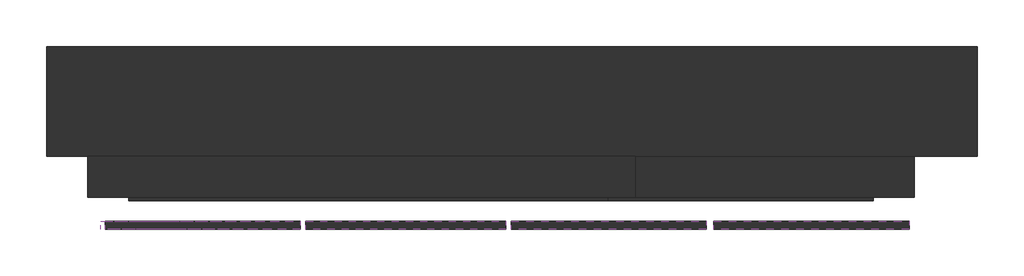
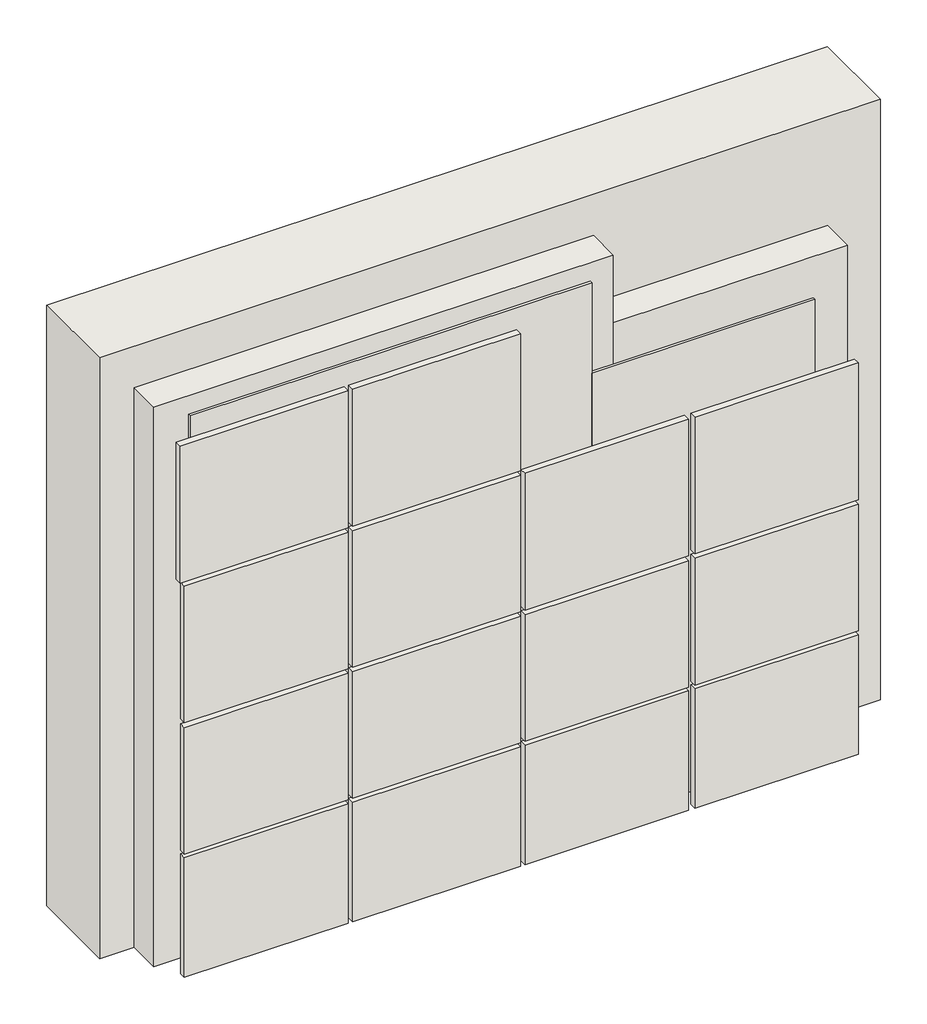
# One storey: 19 walls.
"""IFC4 building model written with IfcOpenShell, lengths in millimetres."""

from ifc_helpers import new_model, si_unit, frame, origin, origin_with_axes, place, context, project, spatial, polyline, outline, extrude, faceted_brep, element, save

model = new_model("IFC4")

# Units and contexts
model_context = context("Model", 3, world=origin())
ifc_project = project(units=[si_unit("LENGTHUNIT", "METRE", prefix="MILLI")], contexts=[model_context])

# Site, building, storey
site = spatial("IfcSite", under=ifc_project)
building = spatial("IfcBuilding", under=site)
storey = spatial("IfcBuildingStorey", under=building, Elevation=0.0)

# Walls
placement = place(None, origin())
element("IfcWall", 1, at=placement, inside=storey, context=model_context, shape_type="SweptSolid", body=[
    extrude(outline(polyline([(8351.4111422, 2345.4420164), (1551.4111422, 2345.4420164), (1551.4111422, 3145.4420164), (8351.4111422, 3145.4420164), (8351.4111422, 2345.4420164)])), origin_with_axes(), (0.0, 0.0, 1.0), 5527.4730237),
])
element("IfcWall", 2, at=placement, inside=storey, context=model_context, shape_type="Brep", body=[
    faceted_brep([(1851.4111422, 2045.4420164, 0.0), (5851.4111422, 2045.4420164, 0.0), (5851.4111422, 2045.4420164, 4528.0635713), (5851.4111422, 2045.4420164, 5149.6139138), (1851.4111422, 2045.4420164, 5149.6139138), (1851.4111422, 2345.4420164, 0.0), (1851.4111422, 2345.4420164, 5149.6139138), (5851.4111422, 2345.4420164, 5149.6139138), (5851.4111422, 2345.4420164, 4528.0635713), (5851.4111422, 2345.4420164, 0.0)], [[[0, 1, 2, 3, 4]], [[5, 6, 7, 8, 9]], [[1, 0, 5, 9]], [[3, 2, 1, 9, 8, 7]], [[4, 3, 7, 6]], [[0, 4, 6, 5]]]),
])
element("IfcWall", 3, at=placement, inside=storey, context=model_context, shape_type="SweptSolid", body=[
    extrude(outline(polyline([(7891.4111422, 2045.4420164), (5851.4111422, 2045.4420164), (5851.4111422, 2345.4420164), (7891.4111422, 2345.4420164), (7891.4111422, 2045.4420164)])), origin_with_axes(), (0.0, 0.0, 1.0), 4528.0635713),
])
element("IfcWall", 4, at=placement, inside=storey, context=model_context, shape_type="SweptSolid", body=[
    extrude(outline(polyline([(7591.4111422, 2020.4420164), (5651.4111422, 2020.4420164), (5651.4111422, 2070.4420164), (7591.4111422, 2070.4420164), (7591.4111422, 2020.4420164)])), origin_with_axes(), (0.0, 0.0, 1.0), 4148.2925814),
])
element("IfcWall", 5, at=placement, inside=storey, context=model_context, shape_type="Brep", body=[
    faceted_brep([(2151.4111422, 2020.4420164, 0.0), (5651.4111422, 2020.4420164, 0.0), (5651.4111422, 2020.4420164, 4148.2925814), (5651.4111422, 2020.4420164, 4981.7260643), (2151.4111422, 2020.4420164, 4981.7260643), (2151.4111422, 2070.4420164, 0.0), (2151.4111422, 2070.4420164, 4981.7260643), (5651.4111422, 2070.4420164, 4981.7260643), (5651.4111422, 2070.4420164, 4148.2925814), (5651.4111422, 2070.4420164, 0.0)], [[[0, 1, 2, 3, 4]], [[5, 6, 7, 8, 9]], [[1, 0, 5, 9]], [[3, 2, 1, 9, 8, 7]], [[4, 3, 7, 6]], [[0, 4, 6, 5]]]),
])
element("IfcWall", 6, at=placement, inside=storey, context=model_context, shape_type="SweptSolid", body=[
    extrude(outline(polyline([(7851.4111422, 1810.4420164), (6426.4111422, 1810.4420164), (6426.4111422, 1870.4420164), (7851.4111422, 1870.4420164), (7851.4111422, 1810.4420164)])), origin_with_axes(), (0.0, 0.0, 1.0), 1100.0),
])
element("IfcWall", 7, at=placement, inside=storey, context=model_context, shape_type="SweptSolid", body=[
    extrude(outline(polyline([(7851.4111422, 1810.4420164), (6426.4111422, 1810.4420164), (6426.4111422, 1870.4420164), (7851.4111422, 1870.4420164), (7851.4111422, 1810.4420164)])), frame((0.0, 0.0, 1134.6658134), z_axis=(0.0, 0.0, 1.0), x_axis=(1.0, 0.0, 0.0)), (0.0, 0.0, 1.0), 1165.3341866),
])
element("IfcWall", 8, at=placement, inside=storey, context=model_context, shape_type="SweptSolid", body=[
    extrude(outline(polyline([(7851.4111422, 1810.4420164), (6426.4111422, 1810.4420164), (6426.4111422, 1870.4420164), (7851.4111422, 1870.4420164), (7851.4111422, 1810.4420164)])), frame((0.0, 0.0, 2342.4554313), z_axis=(0.0, 0.0, 1.0), x_axis=(1.0, 0.0, 0.0)), (0.0, 0.0, 1.0), 1257.5445687),
])
element("IfcWall", 9, at=placement, inside=storey, context=model_context, shape_type="SweptSolid", body=[
    extrude(outline(polyline([(6371.4111422, 1810.4420164), (4946.4111422, 1810.4420164), (4946.4111422, 1870.4420164), (6371.4111422, 1870.4420164), (6371.4111422, 1810.4420164)])), origin_with_axes(), (0.0, 0.0, 1.0), 1100.0),
])
element("IfcWall", 10, at=placement, inside=storey, context=model_context, shape_type="SweptSolid", body=[
    extrude(outline(polyline([(6371.4111422, 1810.4420164), (4946.4111422, 1810.4420164), (4946.4111422, 1870.4420164), (6371.4111422, 1870.4420164), (6371.4111422, 1810.4420164)])), frame((0.0, 0.0, 1134.6658134), z_axis=(0.0, 0.0, 1.0), x_axis=(1.0, 0.0, 0.0)), (0.0, 0.0, 1.0), 1165.3341866),
])
element("IfcWall", 11, at=placement, inside=storey, context=model_context, shape_type="SweptSolid", body=[
    extrude(outline(polyline([(6371.4111422, 1810.4420164), (4946.4111422, 1810.4420164), (4946.4111422, 1870.4420164), (6371.4111422, 1870.4420164), (6371.4111422, 1810.4420164)])), frame((0.0, 0.0, 2342.4554313), z_axis=(0.0, 0.0, 1.0), x_axis=(1.0, 0.0, 0.0)), (0.0, 0.0, 1.0), 1257.5445687),
])
element("IfcWall", 12, at=placement, inside=storey, context=model_context, shape_type="SweptSolid", body=[
    extrude(outline(polyline([(4906.4111422, 1810.4420164), (3446.4111422, 1810.4420164), (3446.4111422, 1870.4420164), (4906.4111422, 1870.4420164), (4906.4111422, 1810.4420164)])), origin_with_axes(), (0.0, 0.0, 1.0), 1100.0),
])
element("IfcWall", 13, at=placement, inside=storey, context=model_context, shape_type="SweptSolid", body=[
    extrude(outline(polyline([(4906.4111422, 1810.4420164), (3446.4111422, 1810.4420164), (3446.4111422, 1870.4420164), (4906.4111422, 1870.4420164), (4906.4111422, 1810.4420164)])), frame((0.0, 0.0, 1134.6658134), z_axis=(0.0, 0.0, 1.0), x_axis=(1.0, 0.0, 0.0)), (0.0, 0.0, 1.0), 1165.3341866),
])
element("IfcWall", 14, at=placement, inside=storey, context=model_context, shape_type="SweptSolid", body=[
    extrude(outline(polyline([(4906.4111422, 1810.4420164), (3446.4111422, 1810.4420164), (3446.4111422, 1870.4420164), (4906.4111422, 1870.4420164), (4906.4111422, 1810.4420164)])), frame((0.0, 0.0, 2342.4554313), z_axis=(0.0, 0.0, 1.0), x_axis=(1.0, 0.0, 0.0)), (0.0, 0.0, 1.0), 1257.5445687),
])
element("IfcWall", 15, at=placement, inside=storey, context=model_context, shape_type="SweptSolid", body=[
    extrude(outline(polyline([(3406.4111422, 1810.4420164), (1981.4111422, 1810.4420164), (1981.4111422, 1870.4420164), (3406.4111422, 1870.4420164), (3406.4111422, 1810.4420164)])), origin_with_axes(), (0.0, 0.0, 1.0), 1100.0),
])
element("IfcWall", 16, at=placement, inside=storey, context=model_context, shape_type="SweptSolid", body=[
    extrude(outline(polyline([(3406.4111422, 1810.4420164), (1981.4111422, 1810.4420164), (1981.4111422, 1870.4420164), (3406.4111422, 1870.4420164), (3406.4111422, 1810.4420164)])), frame((0.0, 0.0, 1134.6658134), z_axis=(0.0, 0.0, 1.0), x_axis=(1.0, 0.0, 0.0)), (0.0, 0.0, 1.0), 1165.3341866),
])
element("IfcWall", 17, at=placement, inside=storey, context=model_context, shape_type="SweptSolid", body=[
    extrude(outline(polyline([(3406.4111422, 1810.4420164), (1981.4111422, 1810.4420164), (1981.4111422, 1870.4420164), (3406.4111422, 1870.4420164), (3406.4111422, 1810.4420164)])), frame((0.0, 0.0, 2342.4554313), z_axis=(0.0, 0.0, 1.0), x_axis=(1.0, 0.0, 0.0)), (0.0, 0.0, 1.0), 1257.5445687),
])
element("IfcWall", 18, at=placement, inside=storey, context=model_context, shape_type="SweptSolid", body=[
    extrude(outline(polyline([(4906.4111422, 1810.4420164), (3446.4111422, 1810.4420164), (3446.4111422, 1870.4420164), (4906.4111422, 1870.4420164), (4906.4111422, 1810.4420164)])), frame((0.0, 0.0, 3640.2461528), z_axis=(0.0, 0.0, 1.0), x_axis=(1.0, 0.0, 0.0)), (0.0, 0.0, 1.0), 1259.7538472),
])
element("IfcWall", 19, at=placement, inside=storey, context=model_context, shape_type="SweptSolid", body=[
    extrude(outline(polyline([(3406.4111422, 1810.4420164), (1946.4111422, 1810.4420164), (1946.4111422, 1870.4420164), (3406.4111422, 1870.4420164), (3406.4111422, 1810.4420164)])), frame((0.0, 0.0, 3640.2461528), z_axis=(0.0, 0.0, 1.0), x_axis=(1.0, 0.0, 0.0)), (0.0, 0.0, 1.0), 1259.7538472),
])

save(model, "model.ifc")
